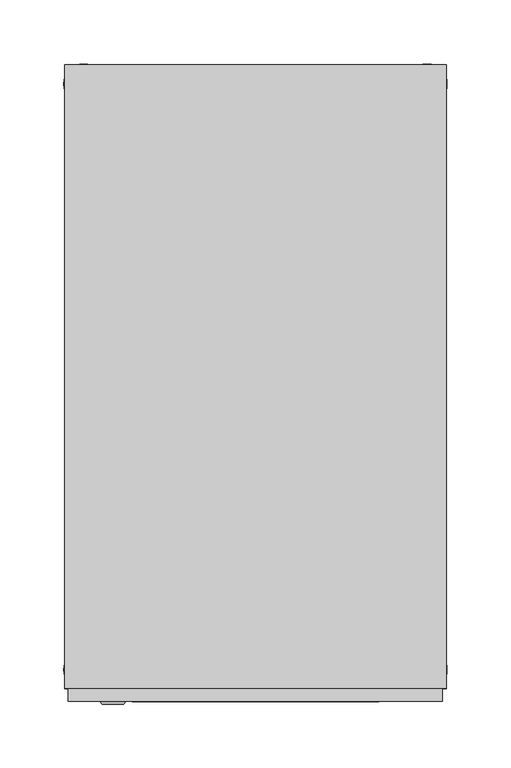
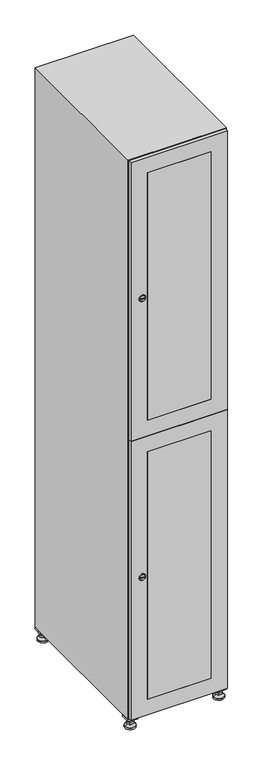
"""IFC4 building model written with IfcOpenShell, lengths in millimetres: furniture geometry."""

import ifcopenshell
import ifcopenshell.guid

model = None  # the IFC model being written
_history = None  # IfcOwnerHistory: only IFC2X3 demands one
_inside = {}  # id of a spatial element -> (the spatial element, [elements in it])
_under = {}  # id of a project, library or spatial element -> (it, [spatial elements below it])
_declared = {}  # id of a project -> (the project, [libraries it declares])
_typed = {}  # id of a type object -> (the type object, [elements of that type])
_made_of = {}  # id of a material, layer set ... -> (it, [elements and type objects made of it])


def new_model(schema):
    """Start an empty IFC model of exactly this schema.

    Asked for "IFC4X3", IfcOpenShell would pick the latest addendum, in which some entities
    have other attributes; the version numbers below select the first issue.
    IFC2X3 requires an IfcOwnerHistory on every rooted entity: one is made here for all.
    """
    global model, _history
    if schema == "IFC4X3":
        model = ifcopenshell.file(schema_version=(4, 3, 0, 0))
    else:
        model = ifcopenshell.file(schema=schema)
    _inside.clear()
    _under.clear()
    _declared.clear()
    _typed.clear()
    _made_of.clear()
    _history = None
    if model.schema == "IFC2X3":
        org = make("IfcOrganization", Name="unknown")
        user = make(
            "IfcPersonAndOrganization",
            ThePerson=make("IfcPerson", FamilyName="unknown"),
            TheOrganization=org,
        )
        app = make(
            "IfcApplication",
            ApplicationDeveloper=org,
            Version="unknown",
            ApplicationFullName="unknown",
            ApplicationIdentifier="unknown",
        )
        _history = make(
            "IfcOwnerHistory",
            OwningUser=user,
            OwningApplication=app,
            ChangeAction="ADDED",
            CreationDate=0,
        )
    return model


def make(cls, **values):
    """One entity of the class cls with the attributes given. An attribute that is None is left unset."""
    return model.create_entity(
        cls, **{name: value for name, value in values.items() if value is not None}
    )


def rooted(cls, **values):
    """An entity with a GlobalId (a new one), such as an element, a storey or a relation."""
    return make(cls, GlobalId=ifcopenshell.guid.new(), OwnerHistory=_history, **values)


def si_unit(unit_type, name, prefix=None):
    """IfcSIUnit, for example si_unit("LENGTHUNIT", "METRE", prefix="MILLI")."""
    return make("IfcSIUnit", UnitType=unit_type, Prefix=prefix, Name=name)


def assignment(units):
    """IfcUnitAssignment: the units of a project."""
    return None if units is None else make("IfcUnitAssignment", Units=units)


def point(xyz):
    """IfcCartesianPoint."""
    return None if xyz is None else make("IfcCartesianPoint", Coordinates=xyz)


def direction(xyz):
    """IfcDirection."""
    return None if xyz is None else make("IfcDirection", DirectionRatios=xyz)


def frame(location, z_axis=None, x_axis=None):
    """IfcAxis2Placement3D, a coordinate frame: its origin and axes. An axis left out is left unset."""
    return make(
        "IfcAxis2Placement3D",
        Location=point(location),
        Axis=direction(z_axis),
        RefDirection=direction(x_axis),
    )


def frame_2d(location, x_axis=None):
    """IfcAxis2Placement2D, a coordinate frame in the plane: its origin and x axis."""
    return make(
        "IfcAxis2Placement2D", Location=point(location), RefDirection=direction(x_axis)
    )


def origin():
    """The frame at (0, 0, 0) with its axes left unset."""
    return frame((0.0, 0.0, 0.0))


def origin_with_axes():
    """The frame at (0, 0, 0) with the z axis (0, 0, 1) and the x axis (1, 0, 0) written out."""
    return frame((0.0, 0.0, 0.0), z_axis=(0.0, 0.0, 1.0), x_axis=(1.0, 0.0, 0.0))


def place(relative_to, where):
    """IfcLocalPlacement: puts the frame where relative to a parent placement (None: the world)."""
    return make(
        "IfcLocalPlacement", PlacementRelTo=relative_to, RelativePlacement=where
    )


def context(
    kind, dimensions, precision=None, world=None, true_north=None, identifier=None
):
    """IfcGeometricRepresentationContext, for example the 3D "Model" context."""
    return make(
        "IfcGeometricRepresentationContext",
        ContextIdentifier=identifier,
        ContextType=kind,
        CoordinateSpaceDimension=dimensions,
        Precision=precision,
        WorldCoordinateSystem=world,
        TrueNorth=true_north,
    )


def project(units=None, contexts=None):
    """IfcProject with its units and contexts."""
    return rooted(
        "IfcProject",
        Name="project",
        RepresentationContexts=contexts,
        UnitsInContext=assignment(units),
    )


def spatial(cls, under=None, at=None, **own):
    """A site, building, storey or space (cls), placed at a placement, below another one or the project."""
    s = rooted(cls, ObjectPlacement=at, **own)
    if under is not None:
        _under.setdefault(under.id(), (under, []))[1].append(s)
    return s


def polyline(points):
    """IfcPolyline through the points."""
    return make("IfcPolyline", Points=[point(p) for p in points])


def circle_curve(where, radius):
    """IfcCircle in the frame where."""
    return make("IfcCircle", Position=where, Radius=radius)


def trimmed(basis, trim1, trim2, sense, master):
    """IfcTrimmedCurve: the piece of a basis curve between two trims."""
    return make(
        "IfcTrimmedCurve",
        BasisCurve=basis,
        Trim1=trim1,
        Trim2=trim2,
        SenseAgreement=sense,
        MasterRepresentation=master,
    )


def segment(curve, same_sense, transition):
    """IfcCompositeCurveSegment."""
    return make(
        "IfcCompositeCurveSegment",
        Transition=transition,
        SameSense=same_sense,
        ParentCurve=curve,
    )


def composite_curve(segments, self_intersect=None):
    """IfcCompositeCurve: segments joined end to end."""
    return make("IfcCompositeCurve", Segments=segments, SelfIntersect=self_intersect)


def outline(outer, holes=None, kind="AREA"):
    """IfcArbitraryClosedProfileDef: a profile drawn as a closed curve; with holes, ...WithVoids."""
    if holes is None:
        return make("IfcArbitraryClosedProfileDef", ProfileType=kind, OuterCurve=outer)
    return make(
        "IfcArbitraryProfileDefWithVoids",
        ProfileType=kind,
        OuterCurve=outer,
        InnerCurves=holes,
    )


def extrude(swept, where, along, depth):
    """IfcExtrudedAreaSolid: the profile swept, set in the frame where, extruded along a direction by depth."""
    return make(
        "IfcExtrudedAreaSolid",
        SweptArea=swept,
        Position=where,
        ExtrudedDirection=direction(along),
        Depth=depth,
    )


def faces_of(points, faces, orient=None, outer=None):
    """IfcFace entities. A face is a list of loops; a loop is a list of indices into points, from 0.

    orient and outer hold one flag for each loop. By default every Orientation is true, the
    first loop of a face is its IfcFaceOuterBound and the others are IfcFaceBound.
    """
    made = []
    for i, loops in enumerate(faces):
        bounds = []
        for j, loop in enumerate(loops):
            is_outer = j == 0 if outer is None else outer[i][j]
            bounds.append(
                make(
                    "IfcFaceOuterBound" if is_outer else "IfcFaceBound",
                    Bound=make("IfcPolyLoop", Polygon=[points[k] for k in loop]),
                    Orientation=True if orient is None else orient[i][j],
                )
            )
        made.append(make("IfcFace", Bounds=bounds))
    return made


def faceted_brep(points, faces, orient=None, outer=None, voids=None):
    """IfcFacetedBrep: a solid bounded by flat faces; with voids (closed shells), ...WithVoids."""
    shared = [point(p) for p in points]
    hull = make("IfcClosedShell", CfsFaces=faces_of(shared, faces, orient, outer))
    if voids is None:
        return make("IfcFacetedBrep", Outer=hull)
    return make(
        "IfcFacetedBrepWithVoids",
        Outer=hull,
        Voids=[
            make(cls, CfsFaces=faces_of(shared, fs, o, b)) for cls, fs, o, b in voids
        ],
    )


def shape(context_of_items, identifier, shape_type, items):
    """IfcShapeRepresentation: the items that make up one representation, for example the "Body"."""
    return make(
        "IfcShapeRepresentation",
        ContextOfItems=context_of_items,
        RepresentationIdentifier=identifier,
        RepresentationType=shape_type,
        Items=items,
    )


def source(mapping_origin, context_of_items, identifier, shape_type, items):
    """IfcRepresentationMap: a shape defined once, which mapped items show again and again."""
    return make(
        "IfcRepresentationMap",
        MappingOrigin=mapping_origin,
        MappedRepresentation=shape(context_of_items, identifier, shape_type, items),
    )


def transform(
    local_origin,
    x_axis=None,
    y_axis=None,
    z_axis=None,
    scale=None,
    scale2=None,
    scale3=None,
    uniform=True,
):
    """IfcCartesianTransformationOperator3D, or its non-uniform kind. x_axis, y_axis, z_axis: its Axis1, 2, 3."""
    if uniform:
        return make(
            "IfcCartesianTransformationOperator3D",
            Axis1=direction(x_axis),
            Axis2=direction(y_axis),
            LocalOrigin=point(local_origin),
            Scale=scale,
            Axis3=direction(z_axis),
        )
    return make(
        "IfcCartesianTransformationOperator3DnonUniform",
        Axis1=direction(x_axis),
        Axis2=direction(y_axis),
        LocalOrigin=point(local_origin),
        Scale=scale,
        Axis3=direction(z_axis),
        Scale2=scale2,
        Scale3=scale3,
    )


def mapped(mapping_source, mapping_target):
    """IfcMappedItem: shows the shape of a source again, moved by a transform."""
    return make(
        "IfcMappedItem", MappingSource=mapping_source, MappingTarget=mapping_target
    )


def made_of(thing, what):
    """Note that an element or type object is made of a material, layer set ...; save() writes the relation."""
    if what is not None:
        _made_of.setdefault(what.id(), (what, []))[1].append(thing)
    return thing


def element(
    cls,
    number,
    at=None,
    inside=None,
    cuts=None,
    type_object=None,
    material=None,
    context=None,
    identifier="Body",
    shape_type=None,
    held_by="IfcProductDefinitionShape",
    body=None,
    shapes=None,
    **own,
):
    """One element of the class cls, such as IfcWall. Its Tag is "e" and its number.

    at: its placement. inside: the storey or other place that contains it. cuts: it is an
    opening in that element (IfcRelVoidsElement). A single representation is given by context,
    identifier, shape_type and body (its items); several are given by shapes. held_by: the class
    of the entity that holds the representations. save() writes the other relations.
    """
    e = rooted(cls, Tag="e%d" % number, ObjectPlacement=at, **own)
    if body is not None:
        shapes = [shape(context, identifier, shape_type, body)]
    if shapes is not None:
        e.Representation = make(held_by, Representations=shapes)
    if inside is not None:
        _inside.setdefault(inside.id(), (inside, []))[1].append(e)
    if cuts is not None:
        rooted(
            "IfcRelVoidsElement", RelatingBuildingElement=cuts, RelatedOpeningElement=e
        )
    if type_object is not None:
        _typed.setdefault(type_object.id(), (type_object, []))[1].append(e)
    return made_of(e, material)


def aggregate(whole, parts):
    """IfcRelAggregates: a whole, such as a stair, and the parts it consists of."""
    return rooted("IfcRelAggregates", RelatingObject=whole, RelatedObjects=parts)


def save(model, path):
    """Write the relations noted so far, then the file.

    IfcRelAggregates (storeys below a building ...), IfcRelContainedInSpatialStructure (elements
    in a storey), IfcRelDefinesByType, IfcRelAssociatesMaterial and IfcRelDeclares: one each for
    every whole, place, type object, material and project.
    """
    for whole, parts in _under.values():
        aggregate(whole, parts)
    for where, things in _inside.values():
        rooted(
            "IfcRelContainedInSpatialStructure",
            RelatedElements=things,
            RelatingStructure=where,
        )
    for kind, things in _typed.values():
        rooted("IfcRelDefinesByType", RelatedObjects=things, RelatingType=kind)
    for what, things in _made_of.values():
        rooted("IfcRelAssociatesMaterial", RelatedObjects=things, RelatingMaterial=what)
    for by, libraries in _declared.values():
        rooted("IfcRelDeclares", RelatingContext=by, RelatedDefinitions=libraries)
    model.write(path)


def plane_surface(at):
    """IfcPlane: the flat surface through the origin of the frame at, square to its z axis."""
    return make("IfcPlane", Position=at)


def revolved_surface(curve, axis_point, axis_direction):
    """IfcSurfaceOfRevolution: the curve turned about the line through axis_point along axis_direction."""
    return make(
        "IfcSurfaceOfRevolution",
        SweptCurve=make("IfcArbitraryOpenProfileDef", ProfileType="CURVE", Curve=curve),
        AxisPosition=make("IfcAxis1Placement", Location=point(axis_point), Axis=direction(axis_direction)),
    )


def advanced_brep(points, edges, surfaces, faces):
    """IfcAdvancedBrep: a solid bounded by faces that lie on surfaces and meet in shared edges.

    An edge is (start, end): straight between two places in points (the first is 0);
    or (start, end, curve); or (start, end, curve, False) where it runs against its curve.
    A face is (place in surfaces, loops), or (place, loops, False) where it looks against
    its surface's normal. A loop lists edges by number (the first is 1), with a minus sign
    where the edge is run from its end to its start. The first loop is the outer one.
    """
    corners = [point(p) for p in points]
    vertices = [make("IfcVertexPoint", VertexGeometry=c) for c in corners]
    made = []
    for start, end, *more in edges:
        made.append(
            make(
                "IfcEdgeCurve",
                EdgeStart=vertices[start],
                EdgeEnd=vertices[end],
                EdgeGeometry=more[0] if more else make("IfcPolyline", Points=[corners[start], corners[end]]),
                SameSense=more[1] if len(more) > 1 else True,
            )
        )
    hull = []
    for where, loops, *sense in faces:
        bounds = []
        for j, loop in enumerate(loops):
            ring = [make("IfcOrientedEdge", EdgeElement=made[abs(k) - 1], Orientation=k > 0) for k in loop]
            bounds.append(
                make(
                    "IfcFaceOuterBound" if j == 0 else "IfcFaceBound",
                    Bound=make("IfcEdgeLoop", EdgeList=ring),
                    Orientation=True,
                )
            )
        hull.append(make("IfcAdvancedFace", Bounds=bounds, FaceSurface=surfaces[where], SameSense=sense[0] if sense else True))
    return make("IfcAdvancedBrep", Outer=make("IfcClosedShell", CfsFaces=hull))


def furniture_bee6befa(model_context):
    return source(origin(), model_context, "Body", "SolidModel", [
        extrude(outline(polyline([(100.0, 245.0), (100.0, 215.0), (70.0, 215.0), (70.0, 245.0), (100.0, 245.0)]), holes=[polyline([(98.0, 243.0), (72.0, 243.0), (72.0, 217.0), (98.0, 217.0), (98.0, 243.0)])]), frame((0.0, 0.0, 28.5), z_axis=(0.0, 0.0, 1.0), x_axis=(1.0, 0.0, 0.0)), (0.0, 0.0, 1.0), 6.5),
        extrude(outline(polyline([(70.0, -245.0), (70.0, -215.0), (100.0, -215.0), (100.0, -245.0), (70.0, -245.0)]), holes=[polyline([(72.0, -243.0), (98.0, -243.0), (98.0, -217.0), (72.0, -217.0), (72.0, -243.0)])]), frame((0.0, 0.0, 28.5), z_axis=(0.0, 0.0, 1.0), x_axis=(1.0, 0.0, 0.0)), (0.0, 0.0, 1.0), 6.5),
        extrude(outline(polyline([(-170.0, 245.0), (-170.0, 215.0), (-200.0, 215.0), (-200.0, 245.0), (-170.0, 245.0)]), holes=[polyline([(-172.0, 243.0), (-198.0, 243.0), (-198.0, 217.0), (-172.0, 217.0), (-172.0, 243.0)])]), frame((0.0, 0.0, 28.5), z_axis=(0.0, 0.0, 1.0), x_axis=(1.0, 0.0, 0.0)), (0.0, 0.0, 1.0), 6.5),
        extrude(outline(polyline([(-170.0, -215.0), (-170.0, -245.0), (-200.0, -245.0), (-200.0, -215.0), (-170.0, -215.0)]), holes=[polyline([(-198.0, -243.0), (-172.0, -243.0), (-172.0, -217.0), (-198.0, -217.0), (-198.0, -243.0)])]), frame((0.0, 0.0, 28.5), z_axis=(0.0, 0.0, 1.0), x_axis=(1.0, 0.0, 0.0)), (0.0, 0.0, 1.0), 6.5),
        extrude(outline(composite_curve([segment(trimmed(circle_curve(frame_2d((-185.0, 230.0)), 5.0), [point((-180.0, 230.0))], [point((-190.0, 230.0))], False, "CARTESIAN"), True, "CONTINUOUS"), segment(trimmed(circle_curve(frame_2d((-185.0, 230.0)), 5.0), [point((-190.0, 230.0))], [point((-180.0, 230.0))], False, "CARTESIAN"), True, "CONTINUOUS")], self_intersect=False)), frame((0.0, 0.0, 19.6), z_axis=(0.0, 0.0, 1.0), x_axis=(1.0, 0.0, 0.0)), (0.0, 0.0, 1.0), 15.4),
        extrude(outline(composite_curve([segment(trimmed(circle_curve(frame_2d((-185.0, -230.0)), 5.0), [point((-180.0, -230.0))], [point((-190.0, -230.0))], False, "CARTESIAN"), True, "CONTINUOUS"), segment(trimmed(circle_curve(frame_2d((-185.0, -230.0)), 5.0), [point((-190.0, -230.0))], [point((-180.0, -230.0))], False, "CARTESIAN"), True, "CONTINUOUS")], self_intersect=False)), frame((0.0, 0.0, 19.6), z_axis=(0.0, 0.0, 1.0), x_axis=(1.0, 0.0, 0.0)), (0.0, 0.0, 1.0), 15.4),
        extrude(outline(composite_curve([segment(trimmed(circle_curve(frame_2d((85.0, 230.0)), 5.0), [point((90.0, 230.0))], [point((80.0, 230.0))], False, "CARTESIAN"), True, "CONTINUOUS"), segment(trimmed(circle_curve(frame_2d((85.0, 230.0)), 5.0), [point((80.0, 230.0))], [point((90.0, 230.0))], False, "CARTESIAN"), True, "CONTINUOUS")], self_intersect=False)), frame((0.0, 0.0, 19.6), z_axis=(0.0, 0.0, 1.0), x_axis=(1.0, 0.0, 0.0)), (0.0, 0.0, 1.0), 15.4),
        extrude(outline(polyline([(73.4529946, 230.0), (79.2264973, 240.0), (90.7735027, 240.0), (96.5470054, 230.0), (90.7735027, 220.0), (79.2264973, 220.0), (73.4529946, 230.0)])), frame((0.0, 0.0, 13.6), z_axis=(0.0, 0.0, 1.0), x_axis=(1.0, 0.0, 0.0)), (0.0, 0.0, 1.0), 6.0),
        extrude(outline(composite_curve([segment(trimmed(circle_curve(frame_2d((85.0, -230.0)), 5.0), [point((90.0, -230.0))], [point((80.0, -230.0))], False, "CARTESIAN"), True, "CONTINUOUS"), segment(trimmed(circle_curve(frame_2d((85.0, -230.0)), 5.0), [point((80.0, -230.0))], [point((90.0, -230.0))], False, "CARTESIAN"), True, "CONTINUOUS")], self_intersect=False)), frame((0.0, 0.0, 19.6), z_axis=(0.0, 0.0, 1.0), x_axis=(1.0, 0.0, 0.0)), (0.0, 0.0, 1.0), 15.4),
        extrude(outline(polyline([(73.4529946, -230.0), (79.2264973, -220.0), (90.7735027, -220.0), (96.5470054, -230.0), (90.7735027, -240.0), (79.2264973, -240.0), (73.4529946, -230.0)])), frame((0.0, 0.0, 13.6), z_axis=(0.0, 0.0, 1.0), x_axis=(1.0, 0.0, 0.0)), (0.0, 0.0, 1.0), 6.0),
        extrude(outline(composite_curve([segment(trimmed(circle_curve(frame_2d((85.0, 230.0)), 5.0), [point((90.0, 230.0))], [point((80.0, 230.0))], False, "CARTESIAN"), True, "CONTINUOUS"), segment(trimmed(circle_curve(frame_2d((85.0, 230.0)), 5.0), [point((80.0, 230.0))], [point((90.0, 230.0))], False, "CARTESIAN"), True, "CONTINUOUS")], self_intersect=False)), frame((0.0, 0.0, 12.1), z_axis=(0.0, 0.0, 1.0), x_axis=(1.0, 0.0, 0.0)), (0.0, 0.0, 1.0), 1.5),
        extrude(outline(composite_curve([segment(trimmed(circle_curve(frame_2d((85.0, -230.0)), 5.0), [point((90.0, -230.0))], [point((80.0, -230.0))], False, "CARTESIAN"), True, "CONTINUOUS"), segment(trimmed(circle_curve(frame_2d((85.0, -230.0)), 5.0), [point((80.0, -230.0))], [point((90.0, -230.0))], False, "CARTESIAN"), True, "CONTINUOUS")], self_intersect=False)), frame((0.0, 0.0, 12.1), z_axis=(0.0, 0.0, 1.0), x_axis=(1.0, 0.0, 0.0)), (0.0, 0.0, 1.0), 1.5),
        extrude(outline(polyline([(-196.5470054, 230.0), (-190.7735027, 240.0), (-179.2264973, 240.0), (-173.4529946, 230.0), (-179.2264973, 220.0), (-190.7735027, 220.0), (-196.5470054, 230.0)])), frame((0.0, 0.0, 13.6), z_axis=(0.0, 0.0, 1.0), x_axis=(1.0, 0.0, 0.0)), (0.0, 0.0, 1.0), 6.0),
        extrude(outline(polyline([(-196.5470054, -230.0), (-190.7735027, -220.0), (-179.2264973, -220.0), (-173.4529946, -230.0), (-179.2264973, -240.0), (-190.7735027, -240.0), (-196.5470054, -230.0)])), frame((0.0, 0.0, 13.6), z_axis=(0.0, 0.0, 1.0), x_axis=(1.0, 0.0, 0.0)), (0.0, 0.0, 1.0), 6.0),
        extrude(outline(composite_curve([segment(trimmed(circle_curve(frame_2d((-185.0, 230.0)), 5.0), [point((-185.0, 235.0))], [point((-185.0, 225.0))], False, "CARTESIAN"), True, "CONTINUOUS"), segment(trimmed(circle_curve(frame_2d((-185.0, 230.0)), 5.0), [point((-185.0, 225.0))], [point((-185.0, 235.0))], False, "CARTESIAN"), True, "CONTINUOUS")], self_intersect=False)), frame((0.0, 0.0, 12.1), z_axis=(0.0, 0.0, 1.0), x_axis=(1.0, 0.0, 0.0)), (0.0, 0.0, 1.0), 1.5),
        extrude(outline(composite_curve([segment(trimmed(circle_curve(frame_2d((-185.0, -230.0)), 5.0), [point((-180.0, -230.0))], [point((-190.0, -230.0))], False, "CARTESIAN"), True, "CONTINUOUS"), segment(trimmed(circle_curve(frame_2d((-185.0, -230.0)), 5.0), [point((-190.0, -230.0))], [point((-180.0, -230.0))], False, "CARTESIAN"), True, "CONTINUOUS")], self_intersect=False)), frame((0.0, 0.0, 12.1), z_axis=(0.0, 0.0, 1.0), x_axis=(1.0, 0.0, 0.0)), (0.0, 0.0, 1.0), 1.5),
        extrude(outline(composite_curve([segment(trimmed(circle_curve(frame_2d((85.0, 230.0)), 15.75), [point((100.75, 230.0))], [point((69.25, 230.0))], False, "CARTESIAN"), True, "CONTINUOUS"), segment(trimmed(circle_curve(frame_2d((85.0, 230.0)), 15.75), [point((69.25, 230.0))], [point((100.75, 230.0))], False, "CARTESIAN"), True, "CONTINUOUS")], self_intersect=False)), origin_with_axes(), (0.0, 0.0, 1.0), 5.1),
        extrude(outline(composite_curve([segment(trimmed(circle_curve(frame_2d((85.0, -230.0)), 15.75), [point((85.0, -214.25))], [point((85.0, -245.75))], False, "CARTESIAN"), True, "CONTINUOUS"), segment(trimmed(circle_curve(frame_2d((85.0, -230.0)), 15.75), [point((85.0, -245.75))], [point((85.0, -214.25))], False, "CARTESIAN"), True, "CONTINUOUS")], self_intersect=False)), origin_with_axes(), (0.0, 0.0, 1.0), 5.1),
        extrude(outline(composite_curve([segment(trimmed(circle_curve(frame_2d((-185.0, -230.0)), 15.75), [point((-169.25, -230.0))], [point((-200.75, -230.0))], False, "CARTESIAN"), True, "CONTINUOUS"), segment(trimmed(circle_curve(frame_2d((-185.0, -230.0)), 15.75), [point((-200.75, -230.0))], [point((-169.25, -230.0))], False, "CARTESIAN"), True, "CONTINUOUS")], self_intersect=False)), origin_with_axes(), (0.0, 0.0, 1.0), 5.1),
        extrude(outline(composite_curve([segment(trimmed(circle_curve(frame_2d((-185.0, 230.0)), 15.75), [point((-169.25, 230.0))], [point((-200.75, 230.0))], False, "CARTESIAN"), True, "CONTINUOUS"), segment(trimmed(circle_curve(frame_2d((-185.0, 230.0)), 15.75), [point((-200.75, 230.0))], [point((-169.25, 230.0))], False, "CARTESIAN"), True, "CONTINUOUS")], self_intersect=False)), origin_with_axes(), (0.0, 0.0, 1.0), 5.1),
        advanced_brep(
        [(-185.0, 239.5, 12.1), (-185.0, 220.5, 12.1), (-185.0, 214.25, 5.1), (-185.0, 245.75, 5.1)],
        [
            (0, 1, circle_curve(frame((-185.0, 230.0, 12.1), z_axis=(0.0, 0.0, -1.0), x_axis=(0.0, 1.0, 0.0)), 9.5)),
            (1, 2),
            (2, 3, circle_curve(frame((-185.0, 230.0, 5.1), z_axis=(0.0, 0.0, 1.0), x_axis=(0.0, 1.0, 0.0)), 15.75)),
            (3, 0),
            (1, 0, circle_curve(frame((-185.0, 230.0, 12.1), z_axis=(0.0, 0.0, -1.0), x_axis=(0.0, -1.0, 0.0)), 9.5)),
            (3, 2, circle_curve(frame((-185.0, 230.0, 5.1), z_axis=(0.0, 0.0, 1.0), x_axis=(0.0, -1.0, 0.0)), 15.75)),
        ],
        [
            revolved_surface(polyline([(-185.0, 220.5, 12.099999999999998), (-185.0, 214.25, 5.099999999999998)]), (-185.0, 230.0, 22.74), (0.0, 0.0, -1.0)),
            revolved_surface(polyline([(-185.0, 239.5, 12.099999999999998), (-185.0, 245.75, 5.099999999999998)]), (-185.0, 230.0, 22.74), (0.0, 0.0, -1.0)),
            plane_surface(frame((-185.0, 230.0, 5.1), z_axis=(0.0, 0.0, -1.0), x_axis=(1.0, 0.0, 0.0))),
            plane_surface(frame((-185.0, 230.0, 12.1), z_axis=(0.0, 0.0, 1.0), x_axis=(1.0, 0.0, 0.0))),
        ],
        [
            (0, [[1, 2, 3, 4]]),
            (1, [[5, -4, 6, -2]]),
            (2, [[-3, -6]]),
            (3, [[-5, -1]]),
        ],
    ),
        advanced_brep(
        [(85.0, 239.5, 12.1), (85.0, 220.5, 12.1), (85.0, 214.25, 5.1), (85.0, 245.75, 5.1)],
        [
            (0, 1, circle_curve(frame((85.0, 230.0, 12.1), z_axis=(0.0, 0.0, -1.0), x_axis=(0.0, 1.0, 0.0)), 9.5)),
            (1, 2),
            (2, 3, circle_curve(frame((85.0, 230.0, 5.1), z_axis=(0.0, 0.0, 1.0), x_axis=(0.0, 1.0, 0.0)), 15.75)),
            (3, 0),
            (1, 0, circle_curve(frame((85.0, 230.0, 12.1), z_axis=(0.0, 0.0, -1.0), x_axis=(0.0, -1.0, 0.0)), 9.5)),
            (3, 2, circle_curve(frame((85.0, 230.0, 5.1), z_axis=(0.0, 0.0, 1.0), x_axis=(0.0, -1.0, 0.0)), 15.75)),
        ],
        [
            revolved_surface(polyline([(85.0, 220.5, 12.099999999999998), (85.0, 214.25, 5.099999999999998)]), (85.0, 230.0, 22.74), (0.0, 0.0, -1.0)),
            revolved_surface(polyline([(85.0, 239.5, 12.099999999999998), (85.0, 245.75, 5.099999999999998)]), (85.0, 230.0, 22.74), (0.0, 0.0, -1.0)),
            plane_surface(frame((85.0, 230.0, 5.1), z_axis=(0.0, 0.0, -1.0), x_axis=(1.0, 0.0, 0.0))),
            plane_surface(frame((85.0, 230.0, 12.1), z_axis=(0.0, 0.0, 1.0), x_axis=(1.0, 0.0, 0.0))),
        ],
        [
            (0, [[1, 2, 3, 4]]),
            (1, [[5, -4, 6, -2]]),
            (2, [[-3, -6]]),
            (3, [[-5, -1]]),
        ],
    ),
        advanced_brep(
        [(100.75, -230.0, 5.1), (69.25, -230.0, 5.1), (75.5, -230.0, 12.1), (94.5, -230.0, 12.1)],
        [
            (0, 1, circle_curve(frame((85.0, -230.0, 5.1), z_axis=(0.0, 0.0, 1.0), x_axis=(1.0, 0.0, 0.0)), 15.75)),
            (1, 2),
            (2, 3, circle_curve(frame((85.0, -230.0, 12.1), z_axis=(0.0, 0.0, -1.0), x_axis=(1.0, 0.0, 0.0)), 9.5)),
            (3, 0),
            (1, 0, circle_curve(frame((85.0, -230.0, 5.1), z_axis=(0.0, 0.0, 1.0), x_axis=(-1.0, 0.0, 0.0)), 15.75)),
            (3, 2, circle_curve(frame((85.0, -230.0, 12.1), z_axis=(0.0, 0.0, -1.0), x_axis=(-1.0, 0.0, 0.0)), 9.5)),
        ],
        [
            revolved_surface(polyline([(94.5, -230.0, 12.099999999999998), (100.75, -230.0, 5.099999999999998)]), (85.0, -230.0, 22.74), (0.0, 0.0, -1.0)),
            revolved_surface(polyline([(75.5, -230.0, 12.099999999999998), (69.25, -230.0, 5.099999999999998)]), (85.0, -230.0, 22.74), (0.0, 0.0, -1.0)),
            plane_surface(frame((85.0, -230.0, 12.1), z_axis=(0.0, 0.0, 1.0), x_axis=(0.0, 1.0, 0.0))),
            plane_surface(frame((85.0, -230.0, 5.1), z_axis=(0.0, 0.0, -1.0), x_axis=(0.0, 1.0, 0.0))),
        ],
        [
            (0, [[1, 2, 3, 4]]),
            (1, [[5, -4, 6, -2]]),
            (2, [[-3, -6]]),
            (3, [[-5, -1]]),
        ],
    ),
        advanced_brep(
        [(-169.25, -230.0, 5.1), (-200.75, -230.0, 5.1), (-194.5, -230.0, 12.1), (-175.5, -230.0, 12.1)],
        [
            (0, 1, circle_curve(frame((-185.0, -230.0, 5.1), z_axis=(0.0, 0.0, 1.0), x_axis=(1.0, 0.0, 0.0)), 15.75)),
            (1, 2),
            (2, 3, circle_curve(frame((-185.0, -230.0, 12.1), z_axis=(0.0, 0.0, -1.0), x_axis=(1.0, 0.0, 0.0)), 9.5)),
            (3, 0),
            (1, 0, circle_curve(frame((-185.0, -230.0, 5.1), z_axis=(0.0, 0.0, 1.0), x_axis=(-1.0, 0.0, 0.0)), 15.75)),
            (3, 2, circle_curve(frame((-185.0, -230.0, 12.1), z_axis=(0.0, 0.0, -1.0), x_axis=(-1.0, 0.0, 0.0)), 9.5)),
        ],
        [
            revolved_surface(polyline([(-175.5, -230.0, 12.099999999999998), (-169.25, -230.0, 5.099999999999998)]), (-185.0, -230.0, 22.74), (0.0, 0.0, -1.0)),
            revolved_surface(polyline([(-194.5, -230.0, 12.099999999999998), (-200.75, -230.0, 5.099999999999998)]), (-185.0, -230.0, 22.74), (0.0, 0.0, -1.0)),
            plane_surface(frame((-185.0, -230.0, 12.1), z_axis=(0.0, 0.0, 1.0), x_axis=(0.0, 1.0, 0.0))),
            plane_surface(frame((-185.0, -230.0, 5.1), z_axis=(0.0, 0.0, -1.0), x_axis=(0.0, 1.0, 0.0))),
        ],
        [
            (0, [[1, 2, 3, 4]]),
            (1, [[5, -4, 6, -2]]),
            (2, [[-3, -6]]),
            (3, [[-5, -1]]),
        ],
    ),
        extrude(outline(composite_curve([segment(trimmed(circle_curve(frame_2d((1383.5, -188.7989466)), 7.0), [point((1390.5, -188.7989466))], [point((1376.5, -188.7989466))], False, "CARTESIAN"), True, "CONTINUOUS"), segment(polyline([(1376.5, -188.7989466), (1376.5, -160.7989466)]), True, "CONTINUOUS"), segment(trimmed(circle_curve(frame_2d((1383.5, -160.7989466)), 7.0), [point((1376.5, -160.7989466))], [point((1390.5, -160.7989466))], False, "CARTESIAN"), True, "CONTINUOUS"), segment(polyline([(1390.5, -160.7989466), (1390.5, -188.7989466)]), True, "CONTINUOUS")], self_intersect=False)), frame((0.0, -245.0, 0.0), z_axis=(0.0, 1.0, 0.0), x_axis=(0.0, 0.0, 1.0)), (0.0, 0.0, 1.0), 2.0),
        advanced_brep(
        [(-153.5, -257.2, 1383.5), (-170.5, -257.2, 1383.5), (-167.0, -257.2, 1382.25), (-167.0, -257.2, 1384.75), (-157.0, -257.2, 1384.75), (-157.0, -257.2, 1382.25), (-151.5, -255.0, 1383.5), (-172.5, -255.0, 1383.5), (-167.0, -255.0, 1384.75), (-167.0, -255.0, 1382.25), (-157.0, -255.0, 1382.25), (-157.0, -255.0, 1384.75)],
        [
            (0, 1, circle_curve(frame((-162.0, -257.2, 1383.5), z_axis=(0.0, -1.0, 0.0), x_axis=(1.0, 0.0, 0.0)), 8.5)),
            (1, 0, circle_curve(frame((-162.0, -257.2, 1383.5), z_axis=(0.0, -1.0, 0.0), x_axis=(-1.0, 0.0, 0.0)), 8.5)),
            (2, 3),
            (3, 4),
            (4, 5),
            (5, 2),
            (6, 7, circle_curve(frame((-162.0, -255.0, 1383.5), z_axis=(0.0, 1.0, 0.0), x_axis=(-1.0, 0.0, 0.0)), 10.5)),
            (7, 6, circle_curve(frame((-162.0, -255.0, 1383.5), z_axis=(0.0, 1.0, 0.0), x_axis=(1.0, 0.0, 0.0)), 10.5)),
            (8, 9),
            (9, 10),
            (10, 11),
            (11, 8),
            (0, 6),
            (7, 1),
            (8, 3),
            (2, 9),
            (11, 4),
            (10, 5),
        ],
        [
            plane_surface(frame((-162.0, -257.2, 1383.5), z_axis=(0.0, -1.0, 0.0), x_axis=(0.0, 0.0, 1.0))),
            plane_surface(frame((-162.0, -255.0, 1383.5), z_axis=(0.0, 1.0, 0.0), x_axis=(0.0, 0.0, 1.0))),
            revolved_surface(polyline([(-153.5, -257.2, 1383.5), (-151.5, -255.0, 1383.5)]), (-162.0, -266.55, 1383.5), (0.0, 1.0, 0.0)),
            revolved_surface(polyline([(-170.5, -257.2, 1383.5), (-172.5, -255.0, 1383.5)]), (-162.0, -266.55, 1383.5), (0.0, 1.0, 0.0)),
            plane_surface(frame((-167.0, -255.0, 1382.25), z_axis=(1.0, 0.0, 0.0), x_axis=(0.0, -1.0, 0.0))),
            plane_surface(frame((-167.0, -255.0, 1384.75), z_axis=(0.0, 0.0, -1.0), x_axis=(0.0, -1.0, 0.0))),
            plane_surface(frame((-157.0, -255.0, 1384.75), z_axis=(-1.0, 0.0, 0.0), x_axis=(0.0, -1.0, 0.0))),
            plane_surface(frame((-157.0, -255.0, 1382.25), z_axis=(0.0, 0.0, 1.0), x_axis=(0.0, -1.0, 0.0))),
        ],
        [
            (0, [[1, 2], [3, 4, 5, 6]]),
            (1, [[7, 8], [9, 10, 11, 12]]),
            (2, [[-1, 13, -8, 14]]),
            (3, [[-2, -14, -7, -13]]),
            (4, [[15, -3, 16, -9]]),
            (5, [[-15, -12, 17, -4]]),
            (6, [[-17, -11, 18, -5]]),
            (7, [[-16, -6, -18, -10]]),
        ],
    ),
        extrude(outline(composite_curve([segment(trimmed(circle_curve(frame_2d((486.5, -188.7989466)), 7.0), [point((493.5, -188.7989466))], [point((479.5, -188.7989466))], False, "CARTESIAN"), True, "CONTINUOUS"), segment(polyline([(479.5, -188.7989466), (479.5, -160.7989466)]), True, "CONTINUOUS"), segment(trimmed(circle_curve(frame_2d((486.5, -160.7989466)), 7.0), [point((479.5, -160.7989466))], [point((493.5, -160.7989466))], False, "CARTESIAN"), True, "CONTINUOUS"), segment(polyline([(493.5, -160.7989466), (493.5, -188.7989466)]), True, "CONTINUOUS")], self_intersect=False)), frame((0.0, -245.0, 0.0), z_axis=(0.0, 1.0, 0.0), x_axis=(0.0, 0.0, 1.0)), (0.0, 0.0, 1.0), 2.0),
        advanced_brep(
        [(-153.5, -257.2, 486.5), (-170.5, -257.2, 486.5), (-167.0, -257.2, 485.25), (-167.0, -257.2, 487.75), (-157.0, -257.2, 487.75), (-157.0, -257.2, 485.25), (-151.5, -255.0, 486.5), (-172.5, -255.0, 486.5), (-167.0, -255.0, 487.75), (-167.0, -255.0, 485.25), (-157.0, -255.0, 485.25), (-157.0, -255.0, 487.75)],
        [
            (0, 1, circle_curve(frame((-162.0, -257.2, 486.5), z_axis=(0.0, -1.0, 0.0), x_axis=(1.0, 0.0, 0.0)), 8.5)),
            (1, 0, circle_curve(frame((-162.0, -257.2, 486.5), z_axis=(0.0, -1.0, 0.0), x_axis=(-1.0, 0.0, 0.0)), 8.5)),
            (2, 3),
            (3, 4),
            (4, 5),
            (5, 2),
            (6, 7, circle_curve(frame((-162.0, -255.0, 486.5), z_axis=(0.0, 1.0, 0.0), x_axis=(-1.0, 0.0, 0.0)), 10.5)),
            (7, 6, circle_curve(frame((-162.0, -255.0, 486.5), z_axis=(0.0, 1.0, 0.0), x_axis=(1.0, 0.0, 0.0)), 10.5)),
            (8, 9),
            (9, 10),
            (10, 11),
            (11, 8),
            (0, 6),
            (7, 1),
            (8, 3),
            (2, 9),
            (11, 4),
            (10, 5),
        ],
        [
            plane_surface(frame((-162.0, -257.2, 486.5), z_axis=(0.0, -1.0, 0.0), x_axis=(0.0, 0.0, 1.0))),
            plane_surface(frame((-162.0, -255.0, 486.5), z_axis=(0.0, 1.0, 0.0), x_axis=(0.0, 0.0, 1.0))),
            revolved_surface(polyline([(-153.5, -257.2, 486.5), (-151.5, -255.0, 486.5)]), (-162.0, -266.55, 486.5), (0.0, 1.0, 0.0)),
            revolved_surface(polyline([(-170.5, -257.2, 486.5), (-172.5, -255.0, 486.5)]), (-162.0, -266.55, 486.5), (0.0, 1.0, 0.0)),
            plane_surface(frame((-167.0, -255.0, 485.25), z_axis=(1.0, 0.0, 0.0), x_axis=(0.0, -1.0, 0.0))),
            plane_surface(frame((-167.0, -255.0, 487.75), z_axis=(0.0, 0.0, -1.0), x_axis=(0.0, -1.0, 0.0))),
            plane_surface(frame((-157.0, -255.0, 487.75), z_axis=(-1.0, 0.0, 0.0), x_axis=(0.0, -1.0, 0.0))),
            plane_surface(frame((-157.0, -255.0, 485.25), z_axis=(0.0, 0.0, 1.0), x_axis=(0.0, -1.0, 0.0))),
        ],
        [
            (0, [[1, 2], [3, 4, 5, 6]]),
            (1, [[7, 8], [9, 10, 11, 12]]),
            (2, [[-1, 13, -8, 14]]),
            (3, [[-2, -14, -7, -13]]),
            (4, [[15, -3, 16, -9]]),
            (5, [[-15, -12, 17, -4]]),
            (6, [[-17, -11, 18, -5]]),
            (7, [[-16, -6, -18, -10]]),
        ],
    ),
        extrude(outline(polyline([(935.5, 97.0), (1832.0, 97.0), (1832.0, -197.0), (935.5, -197.0), (935.5, 97.0)]), holes=[polyline([(1782.0, -147.0), (1782.0, 47.0), (985.5, 47.0), (985.5, -147.0), (1782.0, -147.0)])]), frame((0.0, -255.0, 0.0), z_axis=(0.0, 1.0, 0.0), x_axis=(0.0, 0.0, 1.0)), (0.0, 0.0, 1.0), 10.0),
        extrude(outline(polyline([(934.5, -197.0), (38.0, -197.0), (38.0, 97.0), (934.5, 97.0), (934.5, -197.0)]), holes=[polyline([(88.0, -147.0), (884.5, -147.0), (884.5, 47.0), (88.0, 47.0), (88.0, -147.0)])]), frame((0.0, -255.0, 0.0), z_axis=(0.0, 1.0, 0.0), x_axis=(0.0, 0.0, 1.0)), (0.0, 0.0, 1.0), 10.0),
        extrude(outline(polyline([(47.0, -255.0), (-147.0, -255.0), (-147.0, -245.0), (47.0, -245.0), (47.0, -255.0)])), frame((0.0, 0.0, 985.5), z_axis=(0.0, 0.0, 1.0), x_axis=(1.0, 0.0, 0.0)), (0.0, 0.0, 1.0), 796.5),
        extrude(outline(polyline([(47.0, -255.0), (-147.0, -255.0), (-147.0, -245.0), (47.0, -245.0), (47.0, -255.0)])), frame((0.0, 0.0, 88.0), z_axis=(0.0, 0.0, 1.0), x_axis=(1.0, 0.0, 0.0)), (0.0, 0.0, 1.0), 796.5),
        extrude(outline(polyline([(79.6, 242.0), (79.6, -235.0), (-179.6, -235.0), (-179.6, 242.0), (79.6, 242.0)])), frame((0.0, 0.0, 924.8), z_axis=(0.0, 0.0, 1.0), x_axis=(1.0, 0.0, 0.0)), (0.0, 0.0, 1.0), 20.4),
        faceted_brep([(100.0, -245.0, 35.0), (100.0, -245.0, 1835.0), (-200.0, -245.0, 1835.0), (-200.0, -245.0, 35.0), (79.6, -245.0, 1804.8), (79.6, -245.0, 65.2), (-179.6, -245.0, 65.2), (-179.6, -245.0, 1804.8), (100.0, 245.0, 35.0), (-200.0, 245.0, 35.0), (100.0, 245.0, 1835.0), (-200.0, 245.0, 1835.0), (79.6, 242.0, 1804.8), (79.6, 242.0, 65.2), (-200.0, 245.0, 1804.8), (-179.6, 242.0, 1804.8), (-179.6, 242.0, 65.2)], [[[0, 1, 2, 3], [4, 5, 6, 7]], [[8, 0, 3, 9]], [[1, 0, 8, 10]], [[1, 10, 11, 2]], [[4, 12, 13, 5]], [[9, 3, 2, 11, 14]], [[10, 8, 9, 14, 11]], [[12, 15, 16, 13]], [[15, 7, 6, 16]], [[4, 7, 15, 12]], [[6, 5, 13, 16]]]),
    ])


if __name__ == "__main__":
    model = new_model("IFC4")
    model_context = context("Model", 3, world=origin())
    ifc_project = project(units=[si_unit("LENGTHUNIT", "METRE", prefix="MILLI")], contexts=[model_context])
    site = spatial("IfcSite", under=ifc_project)
    building = spatial("IfcBuilding", under=site)
    placement = place(None, origin())
    furniture_shape = furniture_bee6befa(model_context)
    element("IfcFurniture", 1, at=placement, inside=building, context=model_context, shape_type="MappedRepresentation", body=[
        mapped(furniture_shape, transform((0.0, 0.0, 0.0), x_axis=(1.0, 0.0, 0.0), y_axis=(0.0, 1.0, 0.0), z_axis=(0.0, 0.0, 1.0))),
    ])
    save(model, "model.ifc")
